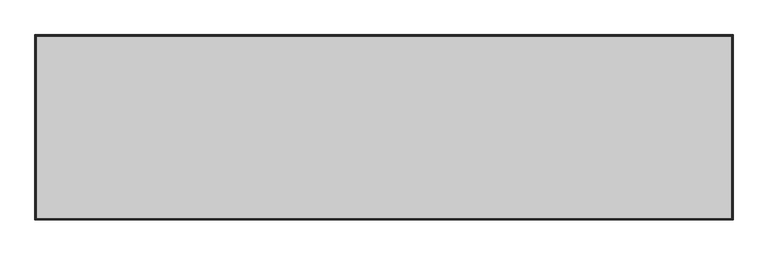
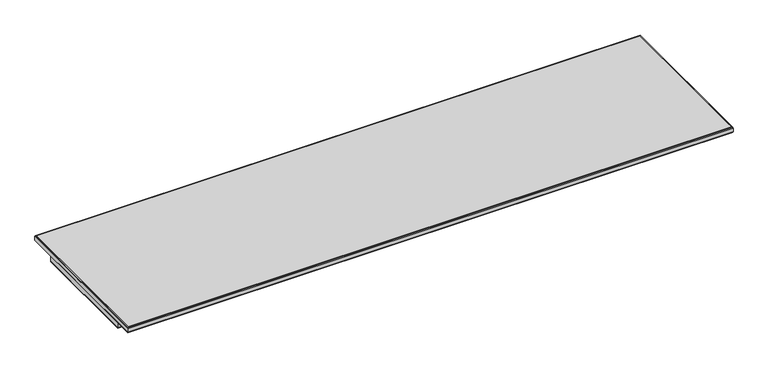
"""IFC4 building model written with IfcOpenShell, lengths in millimetres: furniture geometry."""

from ifc_helpers import new_model, si_unit, frame, origin, place, context, project, spatial, polyline, outline, extrude, faceted_brep, source, transform, mapped, element, save


def furniture_acba9686(model_context):
    return source(origin(), model_context, "Body", "SolidModel", [
        faceted_brep([(1218.6142073, 19.7166075, 1043.3885283), (1217.1934, 18.2958003, 1042.8000114), (2.0066, 18.2958003, 1042.8000114), (0.5857927, 19.7166075, 1043.3885283), (1219.2, 20.3024003, 1044.8027589), (0.0, 20.3024003, 1044.8027589), (1219.2, 20.3024003, 1054.8000057), (0.0, 20.3024003, 1054.8000057), (1217.1934, 18.2958003, 1054.8000057), (2.0066, 18.2958003, 1054.8000057), (2.0066, -212.5041983, 1042.8000114), (0.5857927, -213.9250056, 1043.3885283), (0.0, -214.5107983, 1044.8027589), (0.0, -214.5107983, 1054.8000057), (2.0066, -212.5041983, 1054.8000057), (1217.1934, -212.5041983, 1042.8000114), (1218.6142073, -213.9250056, 1043.3885283), (1219.2, -214.5107983, 1044.8027589), (1219.2, -214.5107983, 1054.8000057), (1217.1934, -212.5041983, 1054.8000057)], [[[0, 1, 2, 3]], [[4, 0, 3, 5]], [[6, 4, 5, 7]], [[1, 8, 9, 2]], [[3, 2, 10, 11]], [[5, 3, 11, 12]], [[7, 5, 12, 13]], [[2, 9, 14, 10]], [[11, 10, 15, 16]], [[12, 11, 16, 17]], [[13, 12, 17, 18]], [[10, 14, 19, 15]], [[16, 15, 1, 0]], [[17, 16, 0, 4]], [[18, 17, 4, 6]], [[7, 13, 18, 6], [8, 19, 14, 9]], [[15, 19, 8, 1]]]),
        extrude(outline(polyline([(1217.1934, 18.2958003), (1217.1934, -212.5041983), (2.0066, -212.5041983), (2.0066, 18.2958003), (1217.1934, 18.2958003)])), frame((0.0, 0.0, 1042.8000114), z_axis=(0.0, 0.0, 1.0), x_axis=(1.0, 0.0, 0.0)), (0.0, 0.0, 1.0), 11.9999943),
        faceted_brep([(1218.7082364, 73.7600281, 1055.3857985), (1217.2940059, 72.3457976, 1054.8000057), (1.7526, 72.3457976, 1054.8000057), (0.3383695, 73.7600281, 1055.3857985), (1219.2940291, 74.3458208, 1056.800029), (-0.2474233, 74.3458208, 1056.800029), (1219.2940291, 74.3458208, 1064.7999767), (-0.2474233, 74.3458208, 1064.7999767), (1218.7082364, 73.7600281, 1066.2142073), (0.3383695, 73.7600281, 1066.2142073), (1217.2940059, 72.3457976, 1066.8030114), (1.7526, 72.3457976, 1066.8030114), (1.7526, -247.5042058, 1054.8000057), (0.3383695, -248.9184364, 1055.3857985), (-0.2474233, -249.5042291, 1056.800029), (-0.2474233, -249.5042291, 1064.7999767), (0.3383695, -248.9184364, 1066.2142073), (1.7526, -247.5042058, 1066.8030114), (1217.2940059, -247.5042058, 1054.8000057), (1218.7082364, -248.9184364, 1055.3857985), (1219.2940291, -249.5042291, 1056.800029), (1219.2940291, -249.5042291, 1064.7999767), (1218.7082364, -248.9184364, 1066.2142073), (1217.2940059, -247.5042058, 1066.8030114)], [[[0, 1, 2, 3]], [[4, 0, 3, 5]], [[6, 4, 5, 7]], [[8, 6, 7, 9]], [[10, 8, 9, 11]], [[1, 10, 11, 2]], [[3, 2, 12, 13]], [[5, 3, 13, 14]], [[7, 5, 14, 15]], [[9, 7, 15, 16]], [[11, 9, 16, 17]], [[2, 11, 17, 12]], [[13, 12, 18, 19]], [[14, 13, 19, 20]], [[15, 14, 20, 21]], [[16, 15, 21, 22]], [[17, 16, 22, 23]], [[12, 17, 23, 18]], [[19, 18, 1, 0]], [[20, 19, 0, 4]], [[21, 20, 4, 6]], [[22, 21, 6, 8]], [[23, 22, 8, 10]], [[18, 23, 10, 1]]]),
        extrude(outline(polyline([(1217.2940059, 72.3457976), (1217.2940059, -247.5042058), (1.7526, -247.5042058), (1.7526, 72.3457976), (1217.2940059, 72.3457976)])), frame((0.0, 0.0, 1054.8000057), z_axis=(0.0, 0.0, 1.0), x_axis=(1.0, 0.0, 0.0)), (0.0, 0.0, 1.0), 12.0030057),
    ])


if __name__ == "__main__":
    model = new_model("IFC4")
    model_context = context("Model", 3, world=origin())
    ifc_project = project(units=[si_unit("LENGTHUNIT", "METRE", prefix="MILLI")], contexts=[model_context])
    site = spatial("IfcSite", under=ifc_project)
    building = spatial("IfcBuilding", under=site)
    placement = place(None, origin())
    furniture_shape = furniture_acba9686(model_context)
    element("IfcFurniture", 1, at=placement, inside=building, context=model_context, shape_type="MappedRepresentation", body=[
        mapped(furniture_shape, transform((0.0, 0.0, 0.0), x_axis=(1.0, 0.0, 0.0), y_axis=(0.0, 1.0, 0.0), z_axis=(0.0, 0.0, 1.0))),
    ])
    save(model, "model.ifc")
